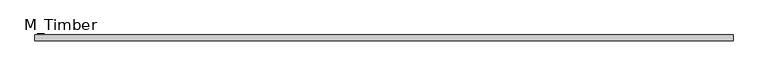
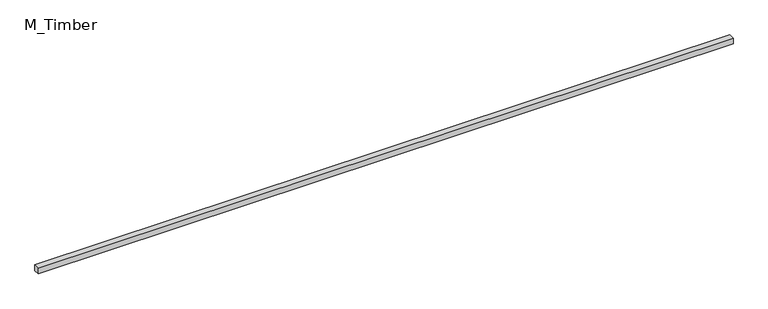
"""IFC4 building model written with IfcOpenShell, lengths in millimetres: beam geometry, M_Timber."""

from ifc_helpers import new_model, si_unit, frame, origin, place, context, project, spatial, polyline, outline, extrude, source, transform, mapped, element, save


def m_timber_cd69dc79(model_context):
    return source(origin(), model_context, "Body", "SweptSolid", [
        extrude(outline(polyline([(2345.9695275, 20.0), (2345.9695275, -20.0), (-2345.9695275, -20.0), (-2345.9695275, 20.0), (2345.9695275, 20.0)])), frame((0.0, 0.0, -20.0), z_axis=(0.0, 0.0, 1.0), x_axis=(1.0, 0.0, 0.0)), (0.0, 0.0, 1.0), 40.0),
    ])


if __name__ == "__main__":
    model = new_model("IFC4")
    model_context = context("Model", 3, world=origin())
    ifc_project = project(units=[si_unit("LENGTHUNIT", "METRE", prefix="MILLI")], contexts=[model_context])
    site = spatial("IfcSite", under=ifc_project)
    building = spatial("IfcBuilding", under=site)
    placement = place(None, origin())
    m_timber_shape = m_timber_cd69dc79(model_context)
    element("IfcBeam", 1, ObjectType="M_Timber", at=placement, inside=building, context=model_context, shape_type="MappedRepresentation", body=[
        mapped(m_timber_shape, transform((0.0, 0.0, 0.0), x_axis=(1.0, 0.0, 0.0), y_axis=(0.0, 1.0, 0.0), z_axis=(0.0, 0.0, 1.0))),
    ])
    save(model, "model.ifc")
